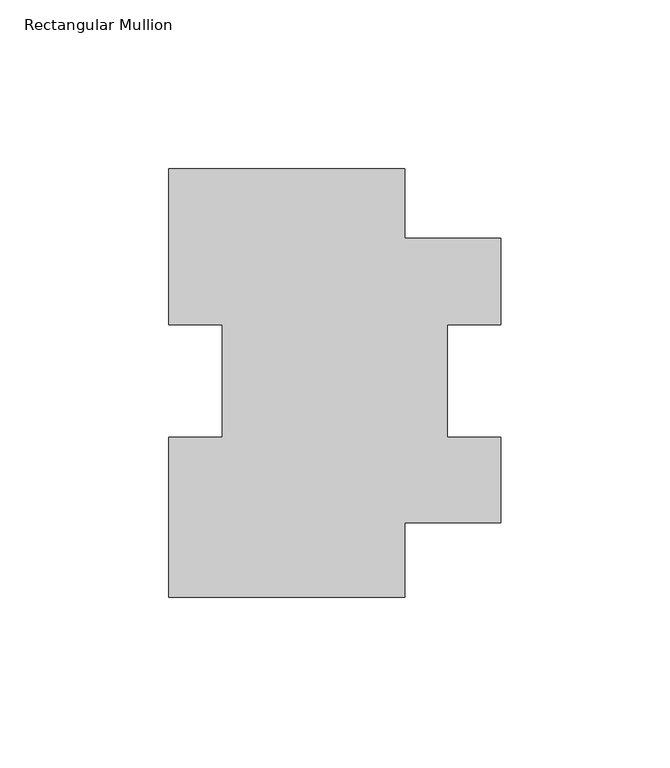
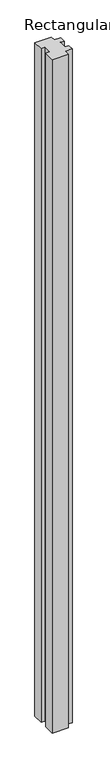
"""IFC4 building model written with IfcOpenShell, lengths in millimetres: member geometry, Rectangular Mullion."""

from ifc_helpers import new_model, si_unit, frame, origin, place, context, project, spatial, polyline, outline, extrude, source, transform, mapped, element, save


def rectangular_mullion_2f48b1f3(model_context):
    return source(origin(), model_context, "Body", "SweptSolid", [
        extrude(outline(polyline([(-28.5651246, 46.919812), (-28.5651246, 26.3710513), (0.0, 26.3710513), (0.0, 0.7383859), (-15.875, 0.7383859), (-15.875, -32.6209598), (0.0, -32.6209598), (0.0, -57.9569487), (-28.5651246, -57.9569487), (-28.5651246, -80.080188), (-98.4249767, -80.080188), (-98.4249767, -32.6209598), (-82.5499767, -32.6209598), (-82.5499767, 0.7383859), (-98.4249767, 0.7383859), (-98.4249767, 46.919812), (-28.5651246, 46.919812)])), frame((0.0, 0.0, -3048.0), z_axis=(0.0, 0.0, 1.0), x_axis=(1.0, 0.0, 0.0)), (0.0, 0.0, 1.0), 3048.0),
    ])


if __name__ == "__main__":
    model = new_model("IFC4")
    model_context = context("Model", 3, world=origin())
    ifc_project = project(units=[si_unit("LENGTHUNIT", "METRE", prefix="MILLI")], contexts=[model_context])
    site = spatial("IfcSite", under=ifc_project)
    building = spatial("IfcBuilding", under=site)
    placement = place(None, origin())
    rectangular_mullion_shape = rectangular_mullion_2f48b1f3(model_context)
    element("IfcMember", 1, ObjectType="Rectangular Mullion", at=placement, inside=building, context=model_context, shape_type="MappedRepresentation", body=[
        mapped(rectangular_mullion_shape, transform((0.0, 0.0, 0.0), x_axis=(1.0, 0.0, 0.0), y_axis=(0.0, 1.0, 0.0), z_axis=(0.0, 0.0, 1.0))),
    ])
    save(model, "model.ifc")
